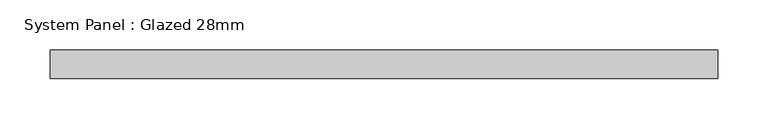
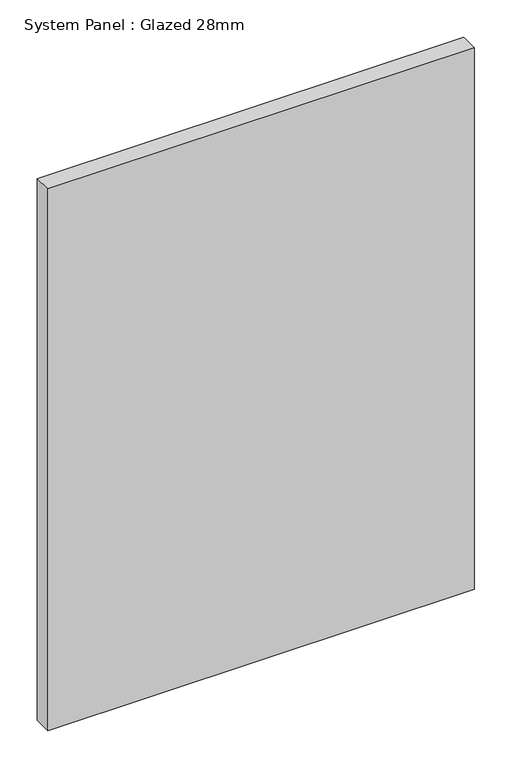
"""IFC4 building model written with IfcOpenShell, lengths in millimetres: plate geometry, System Panel : Glazed 28mm."""

from ifc_helpers import new_model, si_unit, origin, origin_with_axes, place, context, project, spatial, polyline, outline, extrude, source, transform, mapped, element, save


def system_panel_glazed_28mm_64bbd660(model_context):
    return source(origin(), model_context, "Body", "SweptSolid", [
        extrude(outline(polyline([(330.5586576, -14.0), (-330.5586576, -14.0), (-330.5586576, 14.0), (330.5586576, 14.0), (330.5586576, -14.0)])), origin_with_axes(), (0.0, 0.0, 1.0), 887.6852275),
    ])


if __name__ == "__main__":
    model = new_model("IFC4")
    model_context = context("Model", 3, world=origin())
    ifc_project = project(units=[si_unit("LENGTHUNIT", "METRE", prefix="MILLI")], contexts=[model_context])
    site = spatial("IfcSite", under=ifc_project)
    building = spatial("IfcBuilding", under=site)
    placement = place(None, origin())
    system_panel_glazed_28mm_shape = system_panel_glazed_28mm_64bbd660(model_context)
    element("IfcPlate", 1, ObjectType="System Panel : Glazed 28mm", at=placement, inside=building, context=model_context, shape_type="MappedRepresentation", body=[
        mapped(system_panel_glazed_28mm_shape, transform((0.0, 0.0, 0.0), x_axis=(1.0, 0.0, 0.0), y_axis=(0.0, 1.0, 0.0), z_axis=(0.0, 0.0, 1.0))),
    ])
    save(model, "model.ifc")
